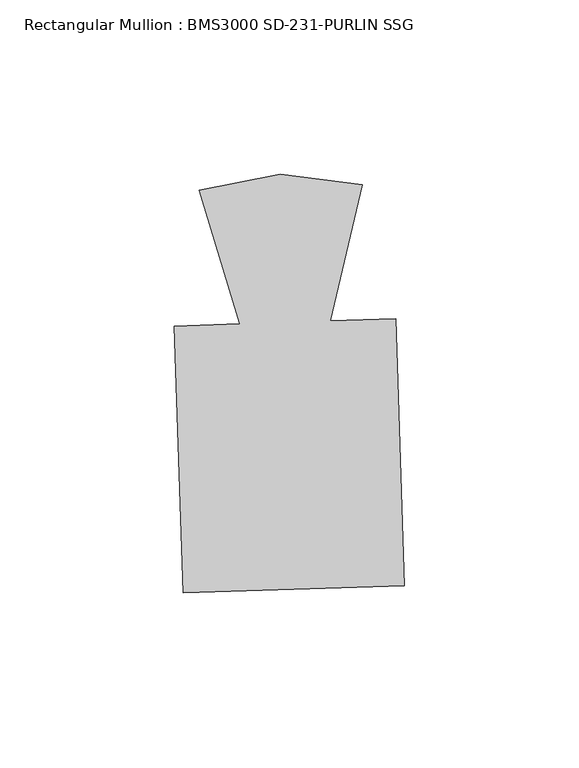
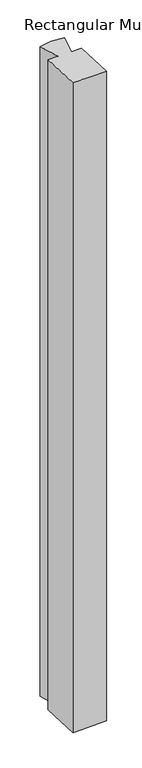
"""IFC4 building model written with IfcOpenShell, lengths in millimetres: member geometry, Rectangular Mullion : BMS3000 SD-231-PURLIN SSG."""

from ifc_helpers import new_model, si_unit, frame, origin, place, context, project, spatial, polyline, outline, extrude, source, transform, mapped, element, save


def rectangular_mullion_bms3000_sd_231_purlin_ssg_f3b7c4e3(model_context):
    return source(origin(), model_context, "Body", "SweptSolid", [
        extrude(outline(polyline([(34.4381468, -82.3608969), (-29.0283962, -84.4219432), (-31.5123693, -7.9320655), (-12.7401357, -7.322446), (-24.3626947, 31.028137), (-1.1575255, 35.5448817), (22.2918004, 32.5432199), (13.1819402, -6.4806387), (31.9541738, -5.8710192), (34.4381468, -82.3608969)])), frame((0.0, 0.0, -1283.8320888), z_axis=(0.0, 0.0, 1.0), x_axis=(1.0, 0.0, 0.0)), (0.0, 0.0, 1.0), 1283.8320888),
    ])


if __name__ == "__main__":
    model = new_model("IFC4")
    model_context = context("Model", 3, world=origin())
    ifc_project = project(units=[si_unit("LENGTHUNIT", "METRE", prefix="MILLI")], contexts=[model_context])
    site = spatial("IfcSite", under=ifc_project)
    building = spatial("IfcBuilding", under=site)
    placement = place(None, origin())
    rectangular_mullion_bms3000_sd_231_purlin_ssg_shape = rectangular_mullion_bms3000_sd_231_purlin_ssg_f3b7c4e3(model_context)
    element("IfcMember", 1, ObjectType="Rectangular Mullion : BMS3000 SD-231-PURLIN SSG", at=placement, inside=building, context=model_context, shape_type="MappedRepresentation", body=[
        mapped(rectangular_mullion_bms3000_sd_231_purlin_ssg_shape, transform((0.0, 0.0, 0.0), x_axis=(1.0, 0.0, 0.0), y_axis=(0.0, 1.0, 0.0), z_axis=(0.0, 0.0, 1.0))),
    ])
    save(model, "model.ifc")
